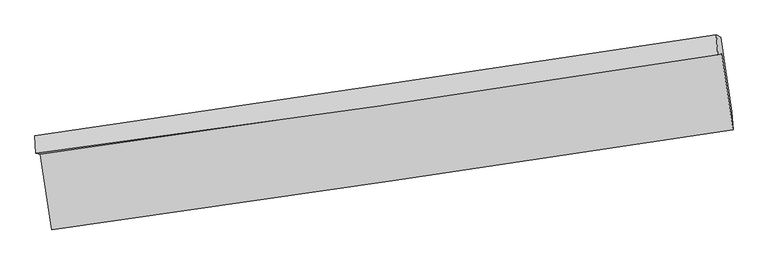
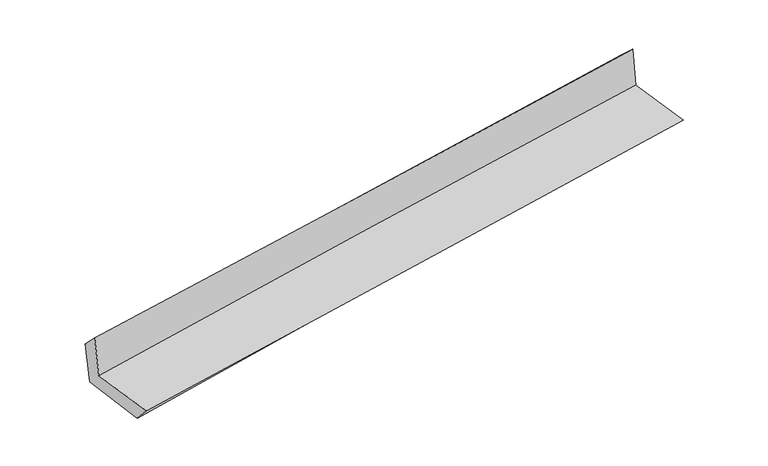
"""IFC4 building model written with IfcOpenShell, lengths in millimetres: proxy geometry."""

from ifc_helpers import new_model, si_unit, frame, origin, place, context, project, spatial, source, transform, mapped, element, save
from ifc_brep_helpers import plane_surface, spline_curve, spline_surface, advanced_brep


def generic_models_7aaf7bbb(model_context):
    return source(origin(), model_context, "Body", "AdvancedBrep", [
        advanced_brep(
        [(-2996.2615851, -1943.1283847, 1651.5943605), (-2896.8284154, -2602.9025555, 1641.7918252), (3048.1365952, -1728.2559816, 2145.3209418), (2948.3006227, -1065.8090715, 2155.1631871), (-3033.0296982, -1934.5598845, 2063.3950233), (2914.8266179, -1074.5155788, 2558.6931175), (-3042.4132781, -1783.7595094, 1910.800402), (2902.8896125, -902.4110701, 2398.7879811), (-3004.8280641, -1800.2762098, 1503.2999464), (2938.3593667, -924.6161967, 2025.6988804), (-2903.9043839, -2460.8195464, 1477.5351929), (3036.3321816, -1574.7003981, 2016.040313)],
        [
            (0, 1),
            (1, 2, spline_curve(3, [(-2896.8284154, -2602.9025555, 1641.7918252), (-1905.473555066, -2462.835875186, 1729.426521729), (-914.37968155, -2319.914908934, 1815.204847558), (1067.275316292, -2028.365988653, 1983.047846144), (2057.83644641, -1879.738097164, 2065.112558809), (3048.1365952, -1728.2559816, 2145.3209418)], [4, 2, 4], [0.0, 9.891975237414913, 19.783842894103053])),
            (2, 3),
            (3, 0, spline_curve(3, [(2948.3006227, -1065.8090715, 2155.1631871), (1957.247637495, -1218.944034728, 2086.556709592), (966.34365384, -1368.621080477, 2010.289671855), (-1015.177085568, -1661.060926555, 1842.433563176), (-2005.793837764, -1803.823652243, 1750.844325143), (-2996.2615851, -1943.1283847, 1651.5943605)], [4, 2, 4], [0.0, 9.89186765668814, 19.783842894103053])),
            (4, 0),
            (3, 5),
            (5, 4, spline_curve(3, [(2914.8266179, -1074.5155788, 2558.6931175), (1925.067593581, -1231.879525107, 2482.40437382), (934.536087897, -1382.231505169, 2402.985402331), (-1048.082667396, -1668.91309295, 2237.886105891), (-2040.169933606, -1805.242547885, 2152.205712401), (-3033.0296982, -1934.5598845, 2063.3950233)], [4, 2, 4], [0.0, 9.892028806108025, 19.784165194695433])),
            (6, 4),
            (5, 7),
            (7, 6, spline_curve(3, [(2902.8896125, -902.4110701, 2398.7879811), (1912.352993439, -1051.059501383, 2316.410105253), (921.645471653, -1198.829025748, 2234.555754105), (-1060.122155123, -1492.611858186, 2071.893216167), (-2051.182263041, -1638.625146816, 1991.085041163), (-3042.4132781, -1783.7595094, 1910.800402)], [4, 2, 4], [0.0, 9.89186356274151, 19.78383470616527])),
            (8, 6),
            (7, 9),
            (9, 8, spline_curve(3, [(2938.3593667, -924.6161967, 2025.6988804), (1947.329741007, -1069.738954866, 1942.928487482), (956.552000842, -1215.271602537, 1858.010295226), (-1024.510481479, -1507.158264886, 1683.877363673), (-2014.795218226, -1653.512288129, 1594.662578244), (-3004.8280641, -1800.2762098, 1503.2999464)], [4, 2, 4], [0.0, 9.891701727211162, 19.783511033344503])),
            (10, 8),
            (9, 11),
            (11, 10, spline_curve(3, [(3036.3321816, -1574.7003981, 2016.040313), (2044.892842499, -1714.220714708, 1928.309832054), (1054.156147018, -1857.823711306, 1839.569414133), (-925.922723105, -2153.196672075, 1660.067729572), (-1915.264882999, -2304.966724738, 1569.306440574), (-2903.9043839, -2460.8195464, 1477.5351929)], [4, 2, 4], [0.0, 9.891775973841208, 19.783659527412077])),
            (1, 10),
            (11, 2),
        ],
        [
            spline_surface(3, 3, [[(-2996.2615851, -1943.1283847, 1651.5943605), (-2005.793837767, -1803.823652099, 1750.844325277), (-1015.177085445, -1661.06092667, 1842.433563058), (966.343653717, -1368.621080362, 2010.289671973), (1957.247637352, -1218.944034777, 2086.556709705), (2948.3006227, -1065.8090715, 2155.1631871)], [(-2963.117195225, -2163.053108293, 1648.326848739), (-1972.353743567, -2023.494393142, 1743.705057388), (-981.577950796, -1880.678920697, 1833.357324566), (999.987541272, -1588.53604981, 2001.209063343), (1990.777240335, -1439.208722285, 2079.408659459), (2981.579280209, -1286.624708224, 2151.882438677)], [(-2929.972805275, -2382.977831907, 1645.059336961), (-1938.913649294, -2243.165134206, 1736.565789483), (-947.978816217, -2100.296914789, 1824.281086092), (1033.631428756, -1808.451019323, 1992.128454732), (2024.306843291, -1659.47340972, 2072.260609182), (3014.857937691, -1507.440344876, 2148.601690223)], [(-2896.8284154, -2602.9025555, 1641.7918252), (-1905.473555094, -2462.83587525, 1729.426521595), (-914.379681568, -2319.914908816, 1815.204847599), (1067.27531631, -2028.365988771, 1983.047846103), (2057.836446274, -1879.738097228, 2065.112558936), (3048.1365952, -1728.2559816, 2145.3209418)]], [4, 4], [4, 2, 4], [0.0, 2.190046436254172], [0.0, 9.891975237414913, 19.783842894103053]),
            spline_surface(3, 3, [[(-3033.0296982, -1934.5598845, 2063.3950233), (-2040.169933673, -1805.242547955, 2152.205712508), (-1048.08266737, -1668.913092933, 2237.88610579), (934.536087871, -1382.231505186, 2402.985402432), (1925.06759358, -1231.879524961, 2482.404373891), (2914.8266179, -1074.5155788, 2558.6931175)], [(-3020.77366048, -1937.416051262, 1926.128135679), (-2028.711235018, -1804.769582698, 2018.41858341), (-1037.114140085, -1666.295704178, 2106.068591559), (945.138609797, -1377.69469691, 2272.086825625), (1935.794274834, -1227.567694895, 2350.455152488), (2925.984619497, -1071.613409696, 2424.183140692)], [(-3008.51762282, -1940.272217938, 1788.861248121), (-2017.252536422, -1804.296617355, 1884.631454374), (-1026.145612731, -1663.678315425, 1974.251077289), (955.741131792, -1373.157888638, 2141.18824878), (1946.520956098, -1223.255864843, 2218.505931108), (2937.142621103, -1068.711240604, 2289.673163908)], [(-2996.2615851, -1943.1283847, 1651.5943605), (-2005.793837767, -1803.823652099, 1750.844325277), (-1015.177085445, -1661.06092667, 1842.433563058), (966.343653717, -1368.621080362, 2010.289671973), (1957.247637352, -1218.944034777, 2086.556709705), (2948.3006227, -1065.8090715, 2155.1631871)]], [4, 4], [4, 2, 4], [0.0, 1.2977227117952754], [0.0, 9.892136388587408, 19.784165194695433]),
            spline_surface(3, 3, [[(-3042.4132781, -1783.7595094, 1910.800402), (-2051.182263141, -1638.62514682, 1991.085041127), (-1060.122154968, -1492.611858071, 2071.893216253), (921.645471497, -1198.829025864, 2234.555754019), (1912.352993559, -1051.059501492, 2316.410105236), (2902.8896125, -902.4110701, 2398.7879811)], [(-3039.28541814, -1834.026301082, 1961.665275784), (-2047.511486658, -1694.164280514, 2044.791931605), (-1056.10899244, -1551.37893636, 2127.224179422), (925.942343617, -1259.963185639, 2290.698970147), (1916.591193587, -1111.332842627, 2371.741528123), (2906.868614322, -959.779239645, 2452.089693235)], [(-3036.15755816, -1884.293092818, 2012.530149516), (-2043.840710156, -1749.703414261, 2098.49882203), (-1052.095829898, -1610.146014644, 2182.555142621), (930.239215752, -1321.09734541, 2346.842186305), (1920.829393551, -1171.606183826, 2427.072951004), (2910.847616078, -1017.147409255, 2505.391405365)], [(-3033.0296982, -1934.5598845, 2063.3950233), (-2040.169933673, -1805.242547955, 2152.205712508), (-1048.08266737, -1668.913092933, 2237.88610579), (934.536087871, -1382.231505186, 2402.985402432), (1925.06759358, -1231.879524961, 2482.404373891), (2914.8266179, -1074.5155788, 2558.6931175)]], [4, 4], [4, 2, 4], [0.0, 0.8067241603306591], [0.0, 9.89197114342376, 19.78383470616527]),
            spline_surface(3, 3, [[(-3004.8280641, -1800.2762098, 1503.2999464), (-2014.795218252, -1653.512288023, 1594.662578343), (-1024.510481524, -1507.158264781, 1683.877363796), (956.552000888, -1215.271602643, 1858.010295102), (1947.329741094, -1069.738954892, 1942.928487602), (2938.3593667, -924.6161967, 2025.6988804)], [(-3017.356468779, -1794.770642995, 1639.133431599), (-2026.924233227, -1648.549907617, 1726.80339927), (-1036.381039323, -1502.309462542, 1813.215981261), (944.916491106, -1209.790743715, 1983.525448054), (1935.67082522, -1063.512470451, 2067.422360134), (2926.536115271, -917.214487858, 2150.061913954)], [(-3029.884873421, -1789.265076205, 1774.966916801), (-2039.053248166, -1643.587527226, 1858.944220201), (-1048.251597169, -1497.460660309, 1942.554598789), (933.280981279, -1204.309884792, 2109.040601068), (1924.011909433, -1057.285985934, 2191.916232704), (2914.712863929, -909.812778942, 2274.424947546)], [(-3042.4132781, -1783.7595094, 1910.800402), (-2051.182263141, -1638.62514682, 1991.085041127), (-1060.122154968, -1492.611858071, 2071.893216253), (921.645471497, -1198.829025864, 2234.555754019), (1912.352993559, -1051.059501492, 2316.410105236), (2902.8896125, -902.4110701, 2398.7879811)]], [4, 4], [4, 2, 4], [0.0, 1.260550737719302], [0.0, 9.891809306133341, 19.783511033344503]),
            spline_surface(3, 3, [[(-2903.9043839, -2460.8195464, 1477.5351929), (-1915.264883083, -2304.966724638, 1569.306440476), (-925.922723269, -2153.196671999, 1660.067729487), (1054.156147181, -1857.823711382, 1839.569414218), (2044.892842534, -1714.220714564, 1928.30983191), (3036.3321816, -1574.7003981, 2016.040313)], [(-2937.545610615, -2240.638434218, 1486.123444054), (-1948.441661454, -2087.815245784, 1577.758486419), (-958.785309359, -1937.850536263, 1668.004274273), (1021.621431745, -1643.639675139, 1845.716374529), (2012.371808739, -1499.393461326, 1933.182717153), (3003.674576652, -1358.005664286, 2019.259835479)], [(-2971.186837385, -2020.457321982, 1494.711695246), (-1981.618439881, -1870.663766877, 1586.2105324), (-991.647895434, -1722.504400517, 1675.94081901), (989.086716324, -1429.455638886, 1851.863334791), (1979.850774889, -1284.56620813, 1938.055602359), (2971.016971648, -1141.310930514, 2022.479357921)], [(-3004.8280641, -1800.2762098, 1503.2999464), (-2014.795218252, -1653.512288023, 1594.662578343), (-1024.510481524, -1507.158264781, 1683.877363796), (956.552000888, -1215.271602643, 1858.010295102), (1947.329741094, -1069.738954892, 1942.928487602), (2938.3593667, -924.6161967, 2025.6988804)]], [4, 4], [4, 2, 4], [0.0, 2.139312650492343], [0.0, 9.89188355357087, 19.783659527412077]),
            spline_surface(3, 3, [[(-2896.8284154, -2602.9025555, 1641.7918252), (-1905.473555094, -2462.83587525, 1729.426521595), (-914.379681568, -2319.914908816, 1815.204847599), (1067.27531631, -2028.365988771, 1983.047846103), (2057.836446274, -1879.738097228, 2065.112558936), (3048.1365952, -1728.2559816, 2145.3209418)], [(-2899.187071561, -2555.54155245, 1587.039614445), (-1908.737331085, -2410.212825029, 1676.053161233), (-918.227362141, -2264.34216323, 1763.492474904), (1062.902259928, -1971.518562994, 1935.221702149), (2053.521911677, -1824.56563633, 2019.511649923), (3044.20179065, -1677.07078709, 2102.227398862)], [(-2901.545727739, -2508.18054945, 1532.287403655), (-1912.001107092, -2357.589774859, 1622.679800837), (-922.075042696, -2208.769417585, 1711.780102183), (1058.529203563, -1914.671137159, 1887.395558171), (2049.207377131, -1769.393175461, 1973.910740923), (3040.26698615, -1625.88559261, 2059.133855938)], [(-2903.9043839, -2460.8195464, 1477.5351929), (-1915.264883083, -2304.966724638, 1569.306440476), (-925.922723269, -2153.196671999, 1660.067729487), (1054.156147181, -1857.823711382, 1839.569414218), (2044.892842534, -1714.220714564, 1928.30983191), (3036.3321816, -1574.7003981, 2016.040313)]], [4, 4], [4, 2, 4], [0.0, 0.7400533697804075], [0.0, 9.891819006653225, 19.783530434278774]),
            plane_surface(frame((2964.8074994, -1211.7180495, 2216.6174035), z_axis=(0.9854464588186432, 0.14725281819098346, 0.08492281399370381), x_axis=(-0.09447802450159105, 0.05914606768505432, 0.9937684064024533))),
            plane_surface(frame((-2979.5442375, -2087.5743484, 1708.0694584), z_axis=(-0.9854464588187354, -0.14725281819035474, -0.08492281399372532), x_axis=(-0.14900891421820867, 0.9887267316015754, 0.014689918310763477))),
        ],
        [
            (0, [[1, 2, 3, 4]]),
            (1, [[5, -4, 6, 7]]),
            (2, [[8, -7, 9, 10]]),
            (3, [[11, -10, 12, 13]]),
            (4, [[14, -13, 15, 16]]),
            (5, [[17, -16, 18, -2]]),
            (6, [[-12, -9, -6, -3, -18, -15]]),
            (7, [[-1, -5, -8, -11, -14, -17]]),
        ],
    ),
    ])


if __name__ == "__main__":
    model = new_model("IFC4")
    model_context = context("Model", 3, world=origin())
    ifc_project = project(units=[si_unit("LENGTHUNIT", "METRE", prefix="MILLI")], contexts=[model_context])
    site = spatial("IfcSite", under=ifc_project)
    building = spatial("IfcBuilding", under=site)
    placement = place(None, origin())
    generic_models_shape = generic_models_7aaf7bbb(model_context)
    element("IfcBuildingElementProxy", 1, Name="Generic Models", at=placement, inside=building, context=model_context, shape_type="MappedRepresentation", body=[
        mapped(generic_models_shape, transform((0.0, 0.0, 0.0), x_axis=(1.0, 0.0, 0.0), y_axis=(0.0, 1.0, 0.0), z_axis=(0.0, 0.0, 1.0))),
    ])
    save(model, "model.ifc")
